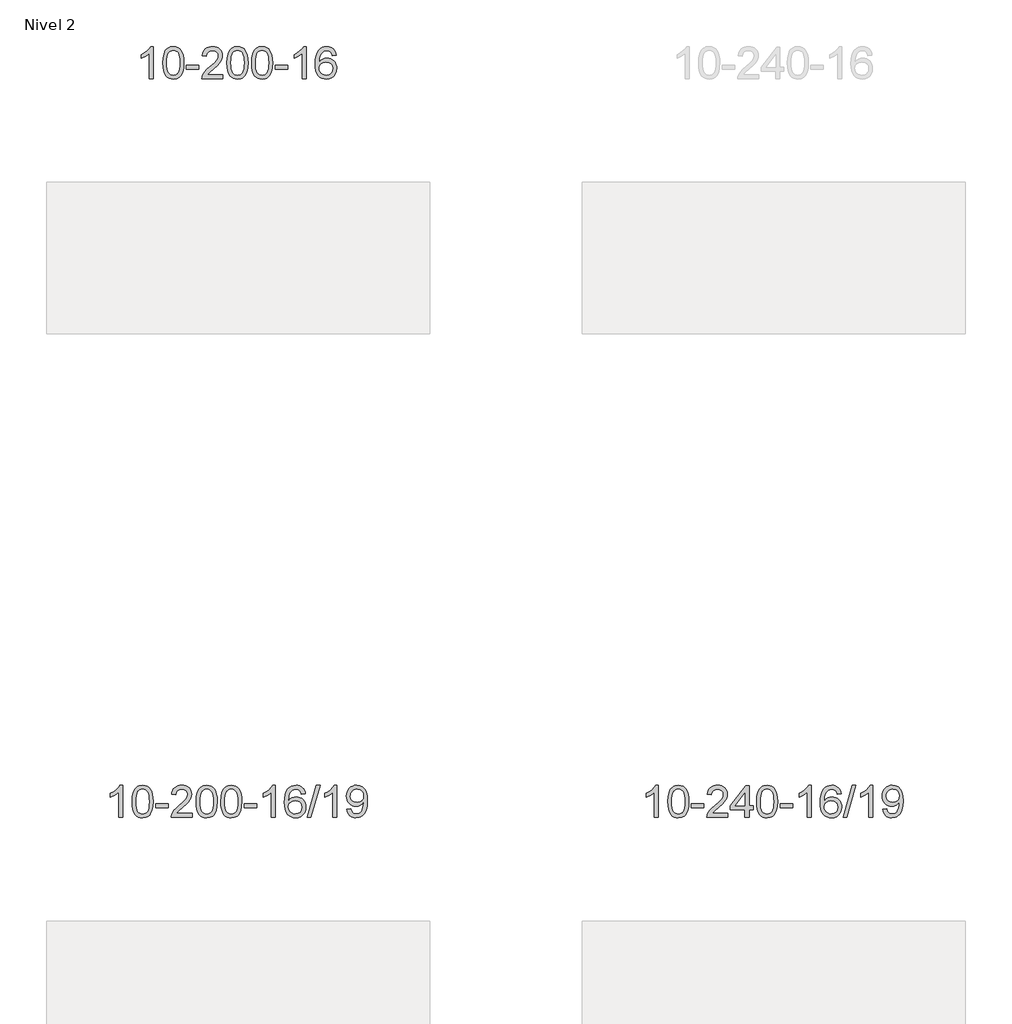
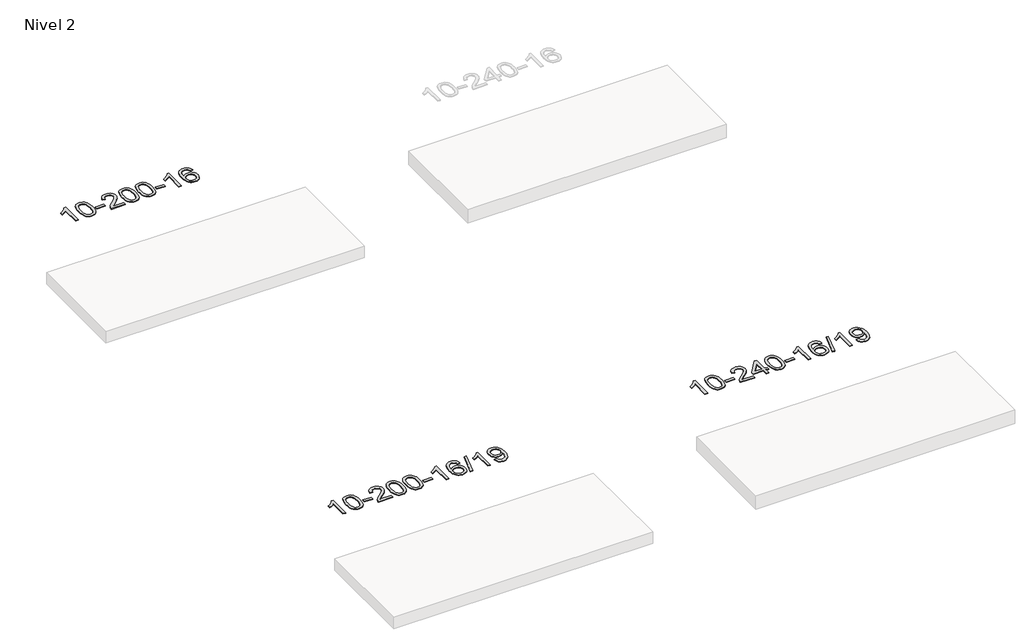
# One storey, part 21 of 51: 3 proxies.
"""IFC4 building model written with IfcOpenShell, lengths in millimetres."""

from ifc_helpers import new_model, si_unit, frame, origin, place, context, project, spatial, polyline, outline, extrude, element, save

model = new_model("IFC4")

# Units and contexts
model_context = context("Model", 3, world=origin())
ifc_project = project(units=[si_unit("LENGTHUNIT", "METRE", prefix="MILLI")], contexts=[model_context])

# Site, building, storey
site = spatial("IfcSite", under=ifc_project)
building = spatial("IfcBuilding", under=site)
storey = spatial("IfcBuildingStorey", under=building, Name="Nivel 2", Elevation=3000.0)

# Proxies
placement = place(None, origin())
element("IfcBuildingElementProxy", 1, Name="Texto de modelo 1", ObjectType="Texto de modelo 1", at=placement, inside=storey, context=model_context, shape_type="SweptSolid", body=[
    extrude(outline(polyline([(51675.3754887, -130180.5895642), (51625.1473336, -130180.5895642), (51625.1473336, -129867.4484099), (51604.1780599, -129884.4077699), (51577.5679289, -129901.3426044), (51524.6910235, -129926.7019366), (51524.6910235, -129879.2206338), (51564.1402361, -129857.7608507), (51598.3164734, -129832.2298403), (51625.2576982, -129805.080149), (51643.0018731, -129778.7643236), (51675.3754887, -129778.7643236), (51675.3754887, -130180.5895642)])), frame((0.0, 0.0, 3000.0), z_axis=(0.0, 0.0, 1.0), x_axis=(1.0, 0.0, 0.0)), (0.0, 0.0, 1.0), 10.0),
    extrude(outline(polyline([(51794.667357, -129982.9143055), (51798.3584397, -129918.59627), (51809.4316877, -129867.3012571), (51827.7767366, -129828.244452), (51839.6347995, -129813.0110717), (51853.2832216, -129800.6410396), (51868.7679879, -129791.0699764), (51886.1350837, -129784.2335026), (51926.5162641, -129778.7643236), (51957.4674026, -129782.0016852), (51985.1811796, -129791.7137699), (52008.3577453, -129807.5204329), (52025.69725, -129829.0415296), (52038.793849, -129856.093119), (52049.2416976, -129888.4912601), (52056.0843028, -129929.6327299), (52058.3651711, -129982.9143055), (52054.7108766, -130046.864459), (52043.7479932, -130098.0368445), (52025.513309, -130137.1304379), (52013.6828371, -130152.4098034), (52000.0436122, -130164.8442148), (51984.5404517, -130174.4796574), (51967.1181736, -130181.3621164), (51926.5162641, -130186.8680836), (51898.851538, -130184.4768507), (51874.3260717, -130177.3031517), (51852.939865, -130165.3469869), (51834.6929181, -130148.6083561), (51817.1817351, -130118.350062), (51804.6737473, -130080.6482889), (51797.1689546, -130035.5030367), (51794.667357, -129982.9143055)]), holes=[polyline([(51844.8955121, -129982.8162036), (51846.36704, -130026.4807308), (51850.781624, -130061.8249935), (51858.1392639, -130088.8489917), (51868.4399598, -130107.5527255), (51880.8988967, -130120.2783768), (51894.7312597, -130129.3681278), (51909.9370488, -130134.8219784), (51926.5162641, -130136.6399285), (51943.0954793, -130134.815847), (51958.3012684, -130129.3436023), (51972.1336315, -130120.2231945), (51984.5925684, -130107.4546236), (51994.8932642, -130088.720233), (52002.2509041, -130061.7023661), (52006.6654881, -130026.401023), (52008.1370161, -129982.8162036), (52006.714539, -129940.3074391), (52002.4471079, -129905.5855101), (51995.3347226, -129878.6504167), (51985.3773833, -129859.5021588), (51973.1269128, -129846.1541738), (51959.1351343, -129836.6198987), (51943.4020476, -129830.8993337), (51925.9276529, -129828.9924787), (51909.4342767, -129830.6724732), (51894.486005, -129835.7124565), (51881.0828377, -129844.1124287), (51869.2247747, -129855.8723898), (51858.5807223, -129876.7190362), (51850.9778277, -129904.8252207), (51846.416091, -129940.1909431), (51844.8955121, -129982.8162036)])]), frame((0.0, 0.0, 3000.0), z_axis=(0.0, 0.0, 1.0), x_axis=(1.0, 0.0, 0.0)), (0.0, 0.0, 1.0), 10.0),
    extrude(outline(polyline([(52089.7577681, -130061.2976959), (52089.7577681, -130011.0695409), (52246.7207527, -130011.0695409), (52246.7207527, -130061.2976959), (52089.7577681, -130061.2976959)])), frame((0.0, 0.0, 3000.0), z_axis=(0.0, 0.0, 1.0), x_axis=(1.0, 0.0, 0.0)), (0.0, 0.0, 1.0), 10.0),
    extrude(outline(polyline([(52548.0896831, -130130.3614092), (52548.0896831, -130180.5895642), (52284.391869, -130180.5895642), (52285.495515, -130162.906703), (52289.7874716, -130145.9596058), (52302.1728321, -130118.8957536), (52320.2971517, -130092.6412419), (52346.5148752, -130065.1604569), (52383.1804474, -130034.4177848), (52437.381728, -129986.2742944), (52469.9024964, -129950.7368937), (52486.1628806, -129921.8949452), (52491.5830086, -129893.8378117), (52486.4694489, -129868.686946), (52471.1287697, -129847.7789859), (52447.5475338, -129833.6891055), (52417.712304, -129828.9924787), (52386.3810208, -129833.5787409), (52362.0394954, -129847.3375275), (52346.3309342, -129869.1897181), (52340.8985434, -129898.0561919), (52290.6703884, -129891.7776726), (52294.9899361, -129865.8481233), (52302.8472824, -129843.1927237), (52314.2424272, -129823.8114739), (52329.1753705, -129807.7043739), (52347.3027558, -129795.0431019), (52368.2812266, -129785.9993362), (52392.1107828, -129780.5730768), (52418.7914245, -129778.7643236), (52445.7111895, -129780.7754119), (52469.6695045, -129786.8086766), (52490.6663693, -129796.8641178), (52508.7017842, -129810.9417355), (52523.1871377, -129827.9991973), (52533.5338188, -129846.994171), (52539.7418275, -129867.9266565), (52541.8111637, -129890.7966539), (52539.5793463, -129914.8193482), (52532.883894, -129938.4251095), (52521.0013055, -129962.4355411), (52503.2080797, -129987.672246), (52474.8443779, -130017.8017814), (52431.2503614, -130056.4907045), (52373.4683627, -130104.8058732), (52350.8068318, -130130.3614092), (52548.0896831, -130130.3614092)])), frame((0.0, 0.0, 3000.0), z_axis=(0.0, 0.0, 1.0), x_axis=(1.0, 0.0, 0.0)), (0.0, 0.0, 1.0), 10.0),
    extrude(outline(polyline([(52598.3178382, -129982.9143055), (52602.0089209, -129918.59627), (52613.0821689, -129867.3012571), (52631.4272177, -129828.244452), (52643.2852807, -129813.0110717), (52656.9337027, -129800.6410396), (52672.4184691, -129791.0699764), (52689.7855649, -129784.2335026), (52730.1667453, -129778.7643236), (52761.1178838, -129782.0016852), (52788.8316608, -129791.7137699), (52812.0082264, -129807.5204329), (52829.3477312, -129829.0415296), (52842.4443302, -129856.093119), (52852.8921788, -129888.4912601), (52859.734784, -129929.6327299), (52862.0156523, -129982.9143055), (52858.3613578, -130046.864459), (52847.3984744, -130098.0368445), (52829.1637902, -130137.1304379), (52817.3333183, -130152.4098034), (52803.6940934, -130164.8442148), (52788.1909329, -130174.4796574), (52770.7686548, -130181.3621164), (52730.1667453, -130186.8680836), (52702.5020192, -130184.4768507), (52677.9765529, -130177.3031517), (52656.5903462, -130165.3469869), (52638.3433993, -130148.6083561), (52620.8322163, -130118.350062), (52608.3242285, -130080.6482889), (52600.8194358, -130035.5030367), (52598.3178382, -129982.9143055)]), holes=[polyline([(52648.5459933, -129982.8162036), (52650.0175212, -130026.4807308), (52654.4321052, -130061.8249935), (52661.7897451, -130088.8489917), (52672.090441, -130107.5527255), (52684.5493779, -130120.2783768), (52698.3817409, -130129.3681278), (52713.58753, -130134.8219784), (52730.1667453, -130136.6399285), (52746.7459605, -130134.815847), (52761.9517496, -130129.3436023), (52775.7841127, -130120.2231945), (52788.2430496, -130107.4546236), (52798.5437454, -130088.720233), (52805.9013853, -130061.7023661), (52810.3159693, -130026.401023), (52811.7874973, -129982.8162036), (52810.3650202, -129940.3074391), (52806.0975891, -129905.5855101), (52798.9852038, -129878.6504167), (52789.0278645, -129859.5021588), (52776.777394, -129846.1541738), (52762.7856155, -129836.6198987), (52747.0525288, -129830.8993337), (52729.5781341, -129828.9924787), (52713.0847579, -129830.6724732), (52698.1364862, -129835.7124565), (52684.7333189, -129844.1124287), (52672.8752559, -129855.8723898), (52662.2312035, -129876.7190362), (52654.6283089, -129904.8252207), (52650.0665722, -129940.1909431), (52648.5459933, -129982.8162036)])]), frame((0.0, 0.0, 3000.0), z_axis=(0.0, 0.0, 1.0), x_axis=(1.0, 0.0, 0.0)), (0.0, 0.0, 1.0), 10.0),
    extrude(outline(polyline([(52905.965288, -129982.9143055), (52909.6563707, -129918.59627), (52920.7296188, -129867.3012571), (52939.0746676, -129828.244452), (52950.9327306, -129813.0110717), (52964.5811526, -129800.6410396), (52980.0659189, -129791.0699764), (52997.4330148, -129784.2335026), (53037.8141951, -129778.7643236), (53068.7653336, -129782.0016852), (53096.4791106, -129791.7137699), (53119.6556763, -129807.5204329), (53136.995181, -129829.0415296), (53150.09178, -129856.093119), (53160.5396287, -129888.4912601), (53167.3822338, -129929.6327299), (53169.6631022, -129982.9143055), (53166.0088077, -130046.864459), (53155.0459242, -130098.0368445), (53136.81124, -130137.1304379), (53124.9807682, -130152.4098034), (53111.3415432, -130164.8442148), (53095.8383828, -130174.4796574), (53078.4161046, -130181.3621164), (53037.8141951, -130186.8680836), (53010.1494691, -130184.4768507), (52985.6240027, -130177.3031517), (52964.2377961, -130165.3469869), (52945.9908491, -130148.6083561), (52928.4796661, -130118.350062), (52915.9716783, -130080.6482889), (52908.4668856, -130035.5030367), (52905.965288, -129982.9143055)]), holes=[polyline([(52956.1934431, -129982.8162036), (52957.6649711, -130026.4807308), (52962.079555, -130061.8249935), (52969.4371949, -130088.8489917), (52979.7378908, -130107.5527255), (52992.1968277, -130120.2783768), (53006.0291907, -130129.3681278), (53021.2349798, -130134.8219784), (53037.8141951, -130136.6399285), (53054.3934103, -130134.815847), (53069.5991995, -130129.3436023), (53083.4315625, -130120.2231945), (53095.8904994, -130107.4546236), (53106.1911953, -130088.720233), (53113.5488352, -130061.7023661), (53117.9634191, -130026.401023), (53119.4349471, -129982.8162036), (53118.01247, -129940.3074391), (53113.7450389, -129905.5855101), (53106.6326537, -129878.6504167), (53096.6753143, -129859.5021588), (53084.4248439, -129846.1541738), (53070.4330653, -129836.6198987), (53054.6999787, -129830.8993337), (53037.2255839, -129828.9924787), (53020.7322078, -129830.6724732), (53005.783936, -129835.7124565), (52992.3807687, -129844.1124287), (52980.5227057, -129855.8723898), (52969.8786533, -129876.7190362), (52962.2757587, -129904.8252207), (52957.714022, -129940.1909431), (52956.1934431, -129982.8162036)])]), frame((0.0, 0.0, 3000.0), z_axis=(0.0, 0.0, 1.0), x_axis=(1.0, 0.0, 0.0)), (0.0, 0.0, 1.0), 10.0),
    extrude(outline(polyline([(53201.0556991, -130061.2976959), (53201.0556991, -130011.0695409), (53358.0186837, -130011.0695409), (53358.0186837, -130061.2976959), (53201.0556991, -130061.2976959)])), frame((0.0, 0.0, 3000.0), z_axis=(0.0, 0.0, 1.0), x_axis=(1.0, 0.0, 0.0)), (0.0, 0.0, 1.0), 10.0),
    extrude(outline(polyline([(53590.3239009, -130180.5895642), (53540.0957458, -130180.5895642), (53540.0957458, -129867.4484099), (53519.1264721, -129884.4077699), (53492.5163411, -129901.3426044), (53439.6394357, -129926.7019366), (53439.6394357, -129879.2206338), (53479.0886483, -129857.7608507), (53513.2648857, -129832.2298403), (53540.2061104, -129805.080149), (53557.9502853, -129778.7643236), (53590.3239009, -129778.7643236), (53590.3239009, -130180.5895642)])), frame((0.0, 0.0, 3000.0), z_axis=(0.0, 0.0, 1.0), x_axis=(1.0, 0.0, 0.0)), (0.0, 0.0, 1.0), 10.0),
    extrude(outline(polyline([(53967.035064, -129885.4991532), (53916.8069089, -129891.7776726), (53908.713505, -129866.8843242), (53897.775147, -129849.888176), (53874.9909888, -129834.216403), (53847.4488901, -129828.9924787), (53824.1006461, -129832.0336365), (53802.1258283, -129841.15711), (53783.2534819, -129860.3728129), (53767.8392263, -129886.8235284), (53757.4281659, -129924.2371273), (53753.5654049, -129976.3414805), (53773.7130755, -129952.833821), (53797.8583971, -129936.2668685), (53824.6524691, -129926.4444192), (53852.7463908, -129923.1702695), (53876.8794497, -129925.4082183), (53899.1485731, -129932.1220647), (53919.5537611, -129943.3118087), (53938.0950137, -129958.9774503), (53953.5031379, -129978.1870219), (53964.5089409, -130000.0085555), (53971.1124228, -130024.4420514), (53973.3135834, -130051.4875094), (53969.1687795, -130087.4541058), (53956.7343681, -130120.7964773), (53937.0404186, -130149.07434), (53911.1170007, -130169.84741), (53880.1413367, -130182.6129152), (53845.290649, -130186.8680836), (53815.3481203, -130184.047655), (53788.305728, -130175.5863691), (53764.163472, -130161.484226), (53742.9213525, -130141.7412255), (53725.6033076, -130115.523502), (53713.2332755, -130081.9971895), (53705.8112562, -130041.1622881), (53703.3372498, -129993.0187976), (53706.0841021, -129939.0443776), (53714.3246588, -129892.9794204), (53728.0589199, -129854.8239261), (53747.2868855, -129824.5778948), (53768.1274005, -129804.5344574), (53792.2911163, -129790.2177164), (53819.7780327, -129781.6276718), (53850.5881498, -129778.7643236), (53873.7217959, -129780.5362886), (53894.6604128, -129785.8521834), (53913.4040004, -129794.7120081), (53929.9525589, -129807.1157627), (53943.8584983, -129822.6465143), (53954.6742289, -129840.8873299), (53962.3997508, -129861.8382095), (53967.035064, -129885.4991532)]), holes=[polyline([(53753.5654049, -130050.7026945), (53756.4716727, -130072.9595552), (53765.190476, -130094.2108718), (53778.7285334, -130112.4823442), (53796.0925635, -130125.7996724), (53817.0495745, -130133.9298645), (53841.3665744, -130136.6399285), (53874.5127422, -130131.0235968), (53888.4278787, -130124.003182), (53900.5710502, -130114.1746014), (53910.4210906, -130101.9363937), (53917.4568338, -130087.6870977), (53923.0854283, -130053.1552411), (53917.5304102, -130020.0090733), (53910.5866375, -130006.3882425), (53900.8653558, -129994.7355803), (53888.685396, -129985.4005746), (53874.3655894, -129978.7327135), (53839.3064352, -129973.3984246), (53806.2093184, -129978.7327135), (53778.5323296, -129994.7355803), (53767.6093001, -130006.2349583), (53759.8071361, -130019.3959367), (53755.1258377, -130034.2185154), (53753.5654049, -130050.7026945)])]), frame((0.0, 0.0, 3000.0), z_axis=(0.0, 0.0, 1.0), x_axis=(1.0, 0.0, 0.0)), (0.0, 0.0, 1.0), 10.0),
])
element("IfcBuildingElementProxy", 2, Name="Texto de modelo 1", ObjectType="Texto de modelo 1", at=placement, inside=storey, context=model_context, shape_type="SweptSolid", body=[
    extrude(outline(polyline([(51289.2465465, -139438.9702671), (51239.0183915, -139438.9702671), (51239.0183915, -139125.8291128), (51218.0491177, -139142.7884728), (51191.4389868, -139159.7233073), (51138.5620813, -139185.0826395), (51138.5620813, -139137.6013367), (51178.0112939, -139116.1415536), (51212.1875313, -139090.6105432), (51239.1287561, -139063.4608519), (51256.872931, -139037.1450265), (51289.2465465, -139037.1450265), (51289.2465465, -139438.9702671)])), frame((0.0, 0.0, 3000.0), z_axis=(0.0, 0.0, 1.0), x_axis=(1.0, 0.0, 0.0)), (0.0, 0.0, 1.0), 10.0),
    extrude(outline(polyline([(51408.5384148, -139241.2950084), (51412.2294975, -139176.9769729), (51423.3027456, -139125.68196), (51441.6477944, -139086.6251549), (51453.5058574, -139071.3917746), (51467.1542794, -139059.0217425), (51482.6390457, -139049.4506793), (51500.0061416, -139042.6142055), (51540.3873219, -139037.1450265), (51571.3384604, -139040.3823881), (51599.0522374, -139050.0944728), (51622.2288031, -139065.9011358), (51639.5683078, -139087.4222325), (51652.6649068, -139114.4738219), (51663.1127555, -139146.871963), (51669.9553606, -139188.0134328), (51672.236229, -139241.2950084), (51668.5819345, -139305.2451619), (51657.6190511, -139356.4175474), (51639.3843668, -139395.5111408), (51627.553895, -139410.7905063), (51613.91467, -139423.2249177), (51598.4115096, -139432.8603603), (51580.9892315, -139439.7428193), (51540.3873219, -139445.2487865), (51512.7225959, -139442.8575536), (51488.1971295, -139435.6838546), (51466.8109229, -139423.7276898), (51448.5639759, -139406.989059), (51431.052793, -139376.7307649), (51418.5448051, -139339.0289918), (51411.0400124, -139293.8837396), (51408.5384148, -139241.2950084)]), holes=[polyline([(51458.7665699, -139241.1969065), (51460.2380979, -139284.8614337), (51464.6526818, -139320.2056964), (51472.0103218, -139347.2296946), (51482.3110176, -139365.9334284), (51494.7699545, -139378.6590797), (51508.6023175, -139387.7488307), (51523.8081067, -139393.2026813), (51540.3873219, -139395.0206314), (51556.9665372, -139393.1965499), (51572.1723263, -139387.7243052), (51586.0046893, -139378.6038974), (51598.4636262, -139365.8353265), (51608.7643221, -139347.1009359), (51616.121962, -139320.083069), (51620.5365459, -139284.7817259), (51622.0080739, -139241.1969065), (51620.5855969, -139198.688142), (51616.3181657, -139163.966213), (51609.2057805, -139137.0311196), (51599.2484411, -139117.8828617), (51586.9979707, -139104.5348767), (51573.0061922, -139095.0006016), (51557.2731055, -139089.2800366), (51539.7987107, -139087.3731816), (51523.3053346, -139089.0531761), (51508.3570629, -139094.0931594), (51494.9538955, -139102.4931316), (51483.0958325, -139114.2530927), (51472.4517801, -139135.0997391), (51464.8488856, -139163.2059236), (51460.2871488, -139198.571646), (51458.7665699, -139241.1969065)])]), frame((0.0, 0.0, 3000.0), z_axis=(0.0, 0.0, 1.0), x_axis=(1.0, 0.0, 0.0)), (0.0, 0.0, 1.0), 10.0),
    extrude(outline(polyline([(51703.6288259, -139319.6783988), (51703.6288259, -139269.4502438), (51860.5918105, -139269.4502438), (51860.5918105, -139319.6783988), (51703.6288259, -139319.6783988)])), frame((0.0, 0.0, 3000.0), z_axis=(0.0, 0.0, 1.0), x_axis=(1.0, 0.0, 0.0)), (0.0, 0.0, 1.0), 10.0),
    extrude(outline(polyline([(52161.960741, -139388.7421121), (52161.960741, -139438.9702671), (51898.2629268, -139438.9702671), (51899.3665728, -139421.2874059), (51903.6585294, -139404.3403087), (51916.0438899, -139377.2764565), (51934.1682096, -139351.0219448), (51960.3859331, -139323.5411598), (51997.0515053, -139292.7984877), (52051.2527859, -139244.6549973), (52083.7735543, -139209.1175966), (52100.0339385, -139180.2756481), (52105.4540665, -139152.2185146), (52100.3405068, -139127.0676489), (52084.9998276, -139106.1596888), (52061.4185917, -139092.0698084), (52031.5833619, -139087.3731816), (52000.2520786, -139091.9594438), (51975.9105533, -139105.7182304), (51960.2019921, -139127.570421), (51954.7696013, -139156.4368948), (51904.5414462, -139150.1583755), (51908.860994, -139124.2288262), (51916.7183403, -139101.5734266), (51928.1134851, -139082.1921768), (51943.0464284, -139066.0850768), (51961.1738137, -139053.4238048), (51982.1522845, -139044.3800391), (52005.9818407, -139038.9537797), (52032.6624824, -139037.1450265), (52059.5822474, -139039.1561148), (52083.5405623, -139045.1893795), (52104.5374272, -139055.2448207), (52122.572842, -139069.3224384), (52137.0581956, -139086.3799002), (52147.4048767, -139105.3748739), (52153.6128854, -139126.3073594), (52155.6822216, -139149.1773568), (52153.4504041, -139173.2000511), (52146.7549518, -139196.8058124), (52134.8723634, -139220.816244), (52117.0791376, -139246.0529489), (52088.7154357, -139276.1824843), (52045.1214193, -139314.8714074), (51987.3394206, -139363.1865761), (51964.6778897, -139388.7421121), (52161.960741, -139388.7421121)])), frame((0.0, 0.0, 3000.0), z_axis=(0.0, 0.0, 1.0), x_axis=(1.0, 0.0, 0.0)), (0.0, 0.0, 1.0), 10.0),
    extrude(outline(polyline([(52212.188896, -139241.2950084), (52215.8799787, -139176.9769729), (52226.9532268, -139125.68196), (52245.2982756, -139086.6251549), (52257.1563386, -139071.3917746), (52270.8047606, -139059.0217425), (52286.2895269, -139049.4506793), (52303.6566228, -139042.6142055), (52344.0378031, -139037.1450265), (52374.9889416, -139040.3823881), (52402.7027186, -139050.0944728), (52425.8792843, -139065.9011358), (52443.218789, -139087.4222325), (52456.315388, -139114.4738219), (52466.7632367, -139146.871963), (52473.6058418, -139188.0134328), (52475.8867102, -139241.2950084), (52472.2324157, -139305.2451619), (52461.2695322, -139356.4175474), (52443.034848, -139395.5111408), (52431.2043762, -139410.7905063), (52417.5651512, -139423.2249177), (52402.0619908, -139432.8603603), (52384.6397127, -139439.7428193), (52344.0378031, -139445.2487865), (52316.3730771, -139442.8575536), (52291.8476107, -139435.6838546), (52270.4614041, -139423.7276898), (52252.2144571, -139406.989059), (52234.7032742, -139376.7307649), (52222.1952863, -139339.0289918), (52214.6904936, -139293.8837396), (52212.188896, -139241.2950084)]), holes=[polyline([(52262.4170511, -139241.1969065), (52263.8885791, -139284.8614337), (52268.303163, -139320.2056964), (52275.6608029, -139347.2296946), (52285.9614988, -139365.9334284), (52298.4204357, -139378.6590797), (52312.2527987, -139387.7488307), (52327.4585879, -139393.2026813), (52344.0378031, -139395.0206314), (52360.6170184, -139393.1965499), (52375.8228075, -139387.7243052), (52389.6551705, -139378.6038974), (52402.1141074, -139365.8353265), (52412.4148033, -139347.1009359), (52419.7724432, -139320.083069), (52424.1870271, -139284.7817259), (52425.6585551, -139241.1969065), (52424.2360781, -139198.688142), (52419.9686469, -139163.966213), (52412.8562617, -139137.0311196), (52402.8989223, -139117.8828617), (52390.6484519, -139104.5348767), (52376.6566734, -139095.0006016), (52360.9235867, -139089.2800366), (52343.4491919, -139087.3731816), (52326.9558158, -139089.0531761), (52312.0075441, -139094.0931594), (52298.6043767, -139102.4931316), (52286.7463137, -139114.2530927), (52276.1022613, -139135.0997391), (52268.4993668, -139163.2059236), (52263.93763, -139198.571646), (52262.4170511, -139241.1969065)])]), frame((0.0, 0.0, 3000.0), z_axis=(0.0, 0.0, 1.0), x_axis=(1.0, 0.0, 0.0)), (0.0, 0.0, 1.0), 10.0),
    extrude(outline(polyline([(52519.8363459, -139241.2950084), (52523.5274286, -139176.9769729), (52534.6006766, -139125.68196), (52552.9457254, -139086.6251549), (52564.8037884, -139071.3917746), (52578.4522104, -139059.0217425), (52593.9369768, -139049.4506793), (52611.3040726, -139042.6142055), (52651.685253, -139037.1450265), (52682.6363915, -139040.3823881), (52710.3501684, -139050.0944728), (52733.5267341, -139065.9011358), (52750.8662389, -139087.4222325), (52763.9628379, -139114.4738219), (52774.4106865, -139146.871963), (52781.2532917, -139188.0134328), (52783.53416, -139241.2950084), (52779.8798655, -139305.2451619), (52768.9169821, -139356.4175474), (52750.6822979, -139395.5111408), (52738.851826, -139410.7905063), (52725.2126011, -139423.2249177), (52709.7094406, -139432.8603603), (52692.2871625, -139439.7428193), (52651.685253, -139445.2487865), (52624.0205269, -139442.8575536), (52599.4950606, -139435.6838546), (52578.1088539, -139423.7276898), (52559.861907, -139406.989059), (52542.350724, -139376.7307649), (52529.8427361, -139339.0289918), (52522.3379434, -139293.8837396), (52519.8363459, -139241.2950084)]), holes=[polyline([(52570.064501, -139241.1969065), (52571.5360289, -139284.8614337), (52575.9506129, -139320.2056964), (52583.3082528, -139347.2296946), (52593.6089486, -139365.9334284), (52606.0678855, -139378.6590797), (52619.9002486, -139387.7488307), (52635.1060377, -139393.2026813), (52651.685253, -139395.0206314), (52668.2644682, -139393.1965499), (52683.4702573, -139387.7243052), (52697.3026204, -139378.6038974), (52709.7615573, -139365.8353265), (52720.0622531, -139347.1009359), (52727.419893, -139320.083069), (52731.834477, -139284.7817259), (52733.3060049, -139241.1969065), (52731.8835279, -139198.688142), (52727.6160968, -139163.966213), (52720.5037115, -139137.0311196), (52710.5463722, -139117.8828617), (52698.2959017, -139104.5348767), (52684.3041232, -139095.0006016), (52668.5710365, -139089.2800366), (52651.0966418, -139087.3731816), (52634.6032656, -139089.0531761), (52619.6549939, -139094.0931594), (52606.2518265, -139102.4931316), (52594.3937636, -139114.2530927), (52583.7497112, -139135.0997391), (52576.1468166, -139163.2059236), (52571.5850799, -139198.571646), (52570.064501, -139241.1969065)])]), frame((0.0, 0.0, 3000.0), z_axis=(0.0, 0.0, 1.0), x_axis=(1.0, 0.0, 0.0)), (0.0, 0.0, 1.0), 10.0),
    extrude(outline(polyline([(52814.9267569, -139319.6783988), (52814.9267569, -139269.4502438), (52971.8897416, -139269.4502438), (52971.8897416, -139319.6783988), (52814.9267569, -139319.6783988)])), frame((0.0, 0.0, 3000.0), z_axis=(0.0, 0.0, 1.0), x_axis=(1.0, 0.0, 0.0)), (0.0, 0.0, 1.0), 10.0),
    extrude(outline(polyline([(53204.1949588, -139438.9702671), (53153.9668037, -139438.9702671), (53153.9668037, -139125.8291128), (53132.99753, -139142.7884728), (53106.387399, -139159.7233073), (53053.5104935, -139185.0826395), (53053.5104935, -139137.6013367), (53092.9597062, -139116.1415536), (53127.1359435, -139090.6105432), (53154.0771683, -139063.4608519), (53171.8213432, -139037.1450265), (53204.1949588, -139037.1450265), (53204.1949588, -139438.9702671)])), frame((0.0, 0.0, 3000.0), z_axis=(0.0, 0.0, 1.0), x_axis=(1.0, 0.0, 0.0)), (0.0, 0.0, 1.0), 10.0),
    extrude(outline(polyline([(53580.9061218, -139143.8798561), (53530.6779668, -139150.1583755), (53522.5845629, -139125.2650271), (53511.6462049, -139108.2688789), (53488.8620466, -139092.5971059), (53461.3199479, -139087.3731816), (53437.971704, -139090.4143394), (53415.9968861, -139099.5378129), (53397.1245398, -139118.7535158), (53381.7102842, -139145.2042313), (53371.2992237, -139182.6178302), (53367.4364628, -139234.7221834), (53387.5841334, -139211.2145239), (53411.729455, -139194.6475714), (53438.523527, -139184.8251221), (53466.6174487, -139181.5509724), (53490.7505076, -139183.7889212), (53513.019631, -139190.5027676), (53533.424819, -139201.6925116), (53551.9660715, -139217.3581532), (53567.3741958, -139236.5677248), (53578.3799988, -139258.3892584), (53584.9834806, -139282.8227543), (53587.1846412, -139309.8682123), (53583.0398374, -139345.8348087), (53570.605426, -139379.1771802), (53550.9114765, -139407.4550429), (53524.9880586, -139428.2281129), (53494.0123946, -139440.9936181), (53459.1617069, -139445.2487865), (53429.2191782, -139442.4283579), (53402.1767858, -139433.967072), (53378.0345299, -139419.8649289), (53356.7924104, -139400.1219284), (53339.4743655, -139373.9042049), (53327.1043334, -139340.3778924), (53319.6823141, -139299.542991), (53317.2083077, -139251.3995005), (53319.9551599, -139197.4250805), (53328.1957166, -139151.3601233), (53341.9299778, -139113.204629), (53361.1579434, -139082.9585977), (53381.9984584, -139062.9151603), (53406.1621741, -139048.5984193), (53433.6490905, -139040.0083747), (53464.4592076, -139037.1450265), (53487.5928538, -139038.9169915), (53508.5314707, -139044.2328863), (53527.2750583, -139053.092711), (53543.8236167, -139065.4964656), (53557.7295561, -139081.0272172), (53568.5452868, -139099.2680328), (53576.2708087, -139120.2189124), (53580.9061218, -139143.8798561)]), holes=[polyline([(53367.4364628, -139309.0833974), (53370.3427305, -139331.3402581), (53379.0615338, -139352.5915747), (53392.5995912, -139370.8630471), (53409.9636214, -139384.1803753), (53430.9206324, -139392.3105674), (53455.2376323, -139395.0206314), (53488.3838, -139389.4042997), (53502.2989365, -139382.3838849), (53514.442108, -139372.5553043), (53524.2921485, -139360.3170966), (53531.3278916, -139346.0678006), (53536.9564861, -139311.535944), (53531.401468, -139278.3897762), (53524.4576954, -139264.7689454), (53514.7364136, -139253.1162832), (53502.5564539, -139243.7812775), (53488.2366472, -139237.1134164), (53453.1774931, -139231.7791275), (53420.0803763, -139237.1134164), (53392.4033875, -139253.1162832), (53381.4803579, -139264.6156612), (53373.678194, -139277.7766396), (53368.9968956, -139292.5992183), (53367.4364628, -139309.0833974)])]), frame((0.0, 0.0, 3000.0), z_axis=(0.0, 0.0, 1.0), x_axis=(1.0, 0.0, 0.0)), (0.0, 0.0, 1.0), 10.0),
    extrude(outline(polyline([(53606.0201994, -139438.9702671), (53719.0335483, -139037.1450265), (53764.3566101, -139037.1450265), (53651.3432612, -139438.9702671), (53606.0201994, -139438.9702671)])), frame((0.0, 0.0, 3000.0), z_axis=(0.0, 0.0, 1.0), x_axis=(1.0, 0.0, 0.0)), (0.0, 0.0, 1.0), 10.0),
    extrude(outline(polyline([(53976.452843, -139438.9702671), (53926.224688, -139438.9702671), (53926.224688, -139125.8291128), (53905.2554142, -139142.7884728), (53878.6452833, -139159.7233073), (53825.7683778, -139185.0826395), (53825.7683778, -139137.6013367), (53865.2175904, -139116.1415536), (53899.3938278, -139090.6105432), (53926.3350526, -139063.4608519), (53944.0792275, -139037.1450265), (53976.452843, -139037.1450265), (53976.452843, -139438.9702671)])), frame((0.0, 0.0, 3000.0), z_axis=(0.0, 0.0, 1.0), x_axis=(1.0, 0.0, 0.0)), (0.0, 0.0, 1.0), 10.0),
    extrude(outline(polyline([(54102.0232307, -139338.513957), (54152.2513858, -139332.2354376), (54160.835299, -139360.7462922), (54174.8148148, -139380.1581988), (54193.8465767, -139391.3050233), (54217.5872282, -139395.0206314), (54238.8875957, -139392.6293985), (54258.2504514, -139385.4556996), (54274.3391573, -139374.2843497), (54285.8170755, -139359.9001636), (54302.249138, -139316.2448335), (54307.6937915, -139287.8443435), (54309.508676, -139257.9723255), (54309.2143704, -139248.162139), (54291.813552, -139269.4011928), (54269.0416565, -139286.2256627), (54242.5418902, -139297.1885462), (54213.9574591, -139300.8428407), (54190.0972461, -139298.6110232), (54168.1561507, -139291.9155709), (54148.1341731, -139280.7564837), (54130.0313133, -139265.1337617), (54115.0309249, -139245.8628765), (54104.3163618, -139223.7593), (54097.887624, -139198.8230321), (54095.7447114, -139171.0540728), (54097.9918572, -139142.3592772), (54104.7332948, -139116.6075375), (54115.969024, -139093.7988538), (54131.699045, -139073.9332261), (54150.8135803, -139057.8383888), (54172.2028527, -139046.3420764), (54195.866862, -139039.444289), (54221.8056084, -139037.1450265), (54259.2682582, -139042.3934763), (54293.3709192, -139058.1388257), (54321.8940365, -139083.5962598), (54342.6180556, -139117.9809636), (54355.236408, -139165.5113174), (54359.4425255, -139230.4057013), (54355.2486707, -139299.2118972), (54342.6671065, -139352.3953709), (54321.8081974, -139392.3596183), (54308.3161252, -139408.2858431), (54292.782308, -139421.5081351), (54275.5194453, -139431.8946701), (54256.840237, -139439.3136237), (54215.2327834, -139445.2487865), (54192.6754857, -139443.4982814), (54172.2886918, -139438.2467659), (54154.0724017, -139429.4942401), (54138.0266153, -139417.240704), (54124.5560029, -139401.8172513), (54114.0652347, -139383.5549759), (54106.5543106, -139362.4538778), (54102.0232307, -139338.513957)]), holes=[polyline([(54309.2143704, -139169.8768504), (54303.7942424, -139135.8355031), (54297.0190823, -139121.7578854), (54287.5338582, -139109.6423051), (54275.8045539, -139099.8995636), (54262.2971533, -139092.9404625), (54229.9480632, -139087.3731816), (54212.3387784, -139088.8723007), (54196.3972252, -139093.3696581), (54182.1234038, -139100.8652538), (54169.5173141, -139111.3590877), (54159.2166183, -139124.2380232), (54151.8589783, -139138.8889237), (54147.4443944, -139155.3117891), (54145.9728664, -139173.5066194), (54151.5401473, -139204.5435971), (54158.4992484, -139217.6616559), (54168.2419899, -139229.179428), (54180.3637016, -139238.5573532), (54194.4597134, -139245.2558712), (54228.5746371, -139250.6146856), (54260.6662098, -139245.2558712), (54286.5037886, -139229.179428), (54296.4396681, -139217.4347953), (54303.536725, -139203.6361548), (54309.2143704, -139169.8768504)])]), frame((0.0, 0.0, 3000.0), z_axis=(0.0, 0.0, 1.0), x_axis=(1.0, 0.0, 0.0)), (0.0, 0.0, 1.0), 10.0),
])
element("IfcBuildingElementProxy", 3, Name="Texto de modelo 1", ObjectType="Texto de modelo 1", at=placement, inside=storey, context=model_context, shape_type="SweptSolid", body=[
    extrude(outline(polyline([(58004.1870814, -139438.9702671), (57953.9589263, -139438.9702671), (57953.9589263, -139125.8291128), (57932.9896526, -139142.7884728), (57906.3795216, -139159.7233073), (57853.5026161, -139185.0826395), (57853.5026161, -139137.6013367), (57892.9518288, -139116.1415536), (57927.1280661, -139090.6105432), (57954.0692909, -139063.4608519), (57971.8134658, -139037.1450265), (58004.1870814, -139037.1450265), (58004.1870814, -139438.9702671)])), frame((0.0, 0.0, 3000.0), z_axis=(0.0, 0.0, 1.0), x_axis=(1.0, 0.0, 0.0)), (0.0, 0.0, 1.0), 10.0),
    extrude(outline(polyline([(58123.4789497, -139241.2950084), (58127.1700324, -139176.9769729), (58138.2432804, -139125.68196), (58156.5883292, -139086.6251549), (58168.4463922, -139071.3917746), (58182.0948142, -139059.0217425), (58197.5795806, -139049.4506793), (58214.9466764, -139042.6142055), (58255.3278567, -139037.1450265), (58286.2789953, -139040.3823881), (58313.9927722, -139050.0944728), (58337.1693379, -139065.9011358), (58354.5088426, -139087.4222325), (58367.6054417, -139114.4738219), (58378.0532903, -139146.871963), (58384.8958954, -139188.0134328), (58387.1767638, -139241.2950084), (58383.5224693, -139305.2451619), (58372.5595859, -139356.4175474), (58354.3249016, -139395.5111408), (58342.4944298, -139410.7905063), (58328.8552048, -139423.2249177), (58313.3520444, -139432.8603603), (58295.9297663, -139439.7428193), (58255.3278567, -139445.2487865), (58227.6631307, -139442.8575536), (58203.1376644, -139435.6838546), (58181.7514577, -139423.7276898), (58163.5045107, -139406.989059), (58145.9933278, -139376.7307649), (58133.4853399, -139339.0289918), (58125.9805472, -139293.8837396), (58123.4789497, -139241.2950084)]), holes=[polyline([(58173.7071047, -139241.1969065), (58175.1786327, -139284.8614337), (58179.5932167, -139320.2056964), (58186.9508566, -139347.2296946), (58197.2515524, -139365.9334284), (58209.7104893, -139378.6590797), (58223.5428524, -139387.7488307), (58238.7486415, -139393.2026813), (58255.3278567, -139395.0206314), (58271.907072, -139393.1965499), (58287.1128611, -139387.7243052), (58300.9452241, -139378.6038974), (58313.4041611, -139365.8353265), (58323.7048569, -139347.1009359), (58331.0624968, -139320.083069), (58335.4770808, -139284.7817259), (58336.9486087, -139241.1969065), (58335.5261317, -139198.688142), (58331.2587005, -139163.966213), (58324.1463153, -139137.0311196), (58314.188976, -139117.8828617), (58301.9385055, -139104.5348767), (58287.946727, -139095.0006016), (58272.2136403, -139089.2800366), (58254.7392456, -139087.3731816), (58238.2458694, -139089.0531761), (58223.2975977, -139094.0931594), (58209.8944303, -139102.4931316), (58198.0363674, -139114.2530927), (58187.392315, -139135.0997391), (58179.7894204, -139163.2059236), (58175.2276837, -139198.571646), (58173.7071047, -139241.1969065)])]), frame((0.0, 0.0, 3000.0), z_axis=(0.0, 0.0, 1.0), x_axis=(1.0, 0.0, 0.0)), (0.0, 0.0, 1.0), 10.0),
    extrude(outline(polyline([(58418.5693607, -139319.6783988), (58418.5693607, -139269.4502438), (58575.5323453, -139269.4502438), (58575.5323453, -139319.6783988), (58418.5693607, -139319.6783988)])), frame((0.0, 0.0, 3000.0), z_axis=(0.0, 0.0, 1.0), x_axis=(1.0, 0.0, 0.0)), (0.0, 0.0, 1.0), 10.0),
    extrude(outline(polyline([(58876.9012758, -139388.7421121), (58876.9012758, -139438.9702671), (58613.2034617, -139438.9702671), (58614.3071076, -139421.2874059), (58618.5990642, -139404.3403087), (58630.9844248, -139377.2764565), (58649.1087444, -139351.0219448), (58675.3264679, -139323.5411598), (58711.9920401, -139292.7984877), (58766.1933207, -139244.6549973), (58798.7140891, -139209.1175966), (58814.9744733, -139180.2756481), (58820.3946013, -139152.2185146), (58815.2810416, -139127.0676489), (58799.9403624, -139106.1596888), (58776.3591265, -139092.0698084), (58746.5238967, -139087.3731816), (58715.1926134, -139091.9594438), (58690.8510881, -139105.7182304), (58675.1425269, -139127.570421), (58669.7101361, -139156.4368948), (58619.481981, -139150.1583755), (58623.8015288, -139124.2288262), (58631.6588751, -139101.5734266), (58643.0540199, -139082.1921768), (58657.9869632, -139066.0850768), (58676.1143485, -139053.4238048), (58697.0928193, -139044.3800391), (58720.9223755, -139038.9537797), (58747.6030172, -139037.1450265), (58774.5227822, -139039.1561148), (58798.4810972, -139045.1893795), (58819.477962, -139055.2448207), (58837.5133768, -139069.3224384), (58851.9987304, -139086.3799002), (58862.3454115, -139105.3748739), (58868.5534202, -139126.3073594), (58870.6227564, -139149.1773568), (58868.390939, -139173.2000511), (58861.6954867, -139196.8058124), (58849.8128982, -139220.816244), (58832.0196724, -139246.0529489), (58803.6559706, -139276.1824843), (58760.0619541, -139314.8714074), (58702.2799554, -139363.1865761), (58679.6184245, -139388.7421121), (58876.9012758, -139388.7421121)])), frame((0.0, 0.0, 3000.0), z_axis=(0.0, 0.0, 1.0), x_axis=(1.0, 0.0, 0.0)), (0.0, 0.0, 1.0), 10.0),
    extrude(outline(polyline([(59090.3709349, -139438.9702671), (59090.3709349, -139344.7924764), (58908.2938727, -139344.7924764), (58908.2938727, -139294.5643213), (59102.9279736, -139043.4235459), (59140.5990899, -139043.4235459), (59140.5990899, -139294.5643213), (59190.827245, -139294.5643213), (59190.827245, -139344.7924764), (59140.5990899, -139344.7924764), (59140.5990899, -139438.9702671), (59090.3709349, -139438.9702671)]), holes=[polyline([(59090.3709349, -139294.5643213), (59090.3709349, -139139.3671703), (58970.0980479, -139294.5643213), (59090.3709349, -139294.5643213)])]), frame((0.0, 0.0, 3000.0), z_axis=(0.0, 0.0, 1.0), x_axis=(1.0, 0.0, 0.0)), (0.0, 0.0, 1.0), 10.0),
    extrude(outline(polyline([(59234.7768807, -139241.2950084), (59238.4679634, -139176.9769729), (59249.5412114, -139125.68196), (59267.8862603, -139086.6251549), (59279.7443232, -139071.3917746), (59293.3927453, -139059.0217425), (59308.8775116, -139049.4506793), (59326.2446074, -139042.6142055), (59366.6257878, -139037.1450265), (59397.5769263, -139040.3823881), (59425.2907033, -139050.0944728), (59448.467269, -139065.9011358), (59465.8067737, -139087.4222325), (59478.9033727, -139114.4738219), (59489.3512214, -139146.871963), (59496.1938265, -139188.0134328), (59498.4746948, -139241.2950084), (59494.8204004, -139305.2451619), (59483.8575169, -139356.4175474), (59465.6228327, -139395.5111408), (59453.7923608, -139410.7905063), (59440.1531359, -139423.2249177), (59424.6499755, -139432.8603603), (59407.2276973, -139439.7428193), (59366.6257878, -139445.2487865), (59338.9610617, -139442.8575536), (59314.4355954, -139435.6838546), (59293.0493887, -139423.7276898), (59274.8024418, -139406.989059), (59257.2912588, -139376.7307649), (59244.783271, -139339.0289918), (59237.2784783, -139293.8837396), (59234.7768807, -139241.2950084)]), holes=[polyline([(59285.0050358, -139241.1969065), (59286.4765638, -139284.8614337), (59290.8911477, -139320.2056964), (59298.2487876, -139347.2296946), (59308.5494835, -139365.9334284), (59321.0084204, -139378.6590797), (59334.8407834, -139387.7488307), (59350.0465725, -139393.2026813), (59366.6257878, -139395.0206314), (59383.205003, -139393.1965499), (59398.4107922, -139387.7243052), (59412.2431552, -139378.6038974), (59424.7020921, -139365.8353265), (59435.0027879, -139347.1009359), (59442.3604278, -139320.083069), (59446.7750118, -139284.7817259), (59448.2465398, -139241.1969065), (59446.8240627, -139198.688142), (59442.5566316, -139163.966213), (59435.4442463, -139137.0311196), (59425.486907, -139117.8828617), (59413.2364366, -139104.5348767), (59399.244658, -139095.0006016), (59383.5115714, -139089.2800366), (59366.0371766, -139087.3731816), (59349.5438005, -139089.0531761), (59334.5955287, -139094.0931594), (59321.1923614, -139102.4931316), (59309.3342984, -139114.2530927), (59298.690246, -139135.0997391), (59291.0873514, -139163.2059236), (59286.5256147, -139198.571646), (59285.0050358, -139241.1969065)])]), frame((0.0, 0.0, 3000.0), z_axis=(0.0, 0.0, 1.0), x_axis=(1.0, 0.0, 0.0)), (0.0, 0.0, 1.0), 10.0),
    extrude(outline(polyline([(59529.8672918, -139319.6783988), (59529.8672918, -139269.4502438), (59686.8302764, -139269.4502438), (59686.8302764, -139319.6783988), (59529.8672918, -139319.6783988)])), frame((0.0, 0.0, 3000.0), z_axis=(0.0, 0.0, 1.0), x_axis=(1.0, 0.0, 0.0)), (0.0, 0.0, 1.0), 10.0),
    extrude(outline(polyline([(59919.1354936, -139438.9702671), (59868.9073385, -139438.9702671), (59868.9073385, -139125.8291128), (59847.9380648, -139142.7884728), (59821.3279338, -139159.7233073), (59768.4510284, -139185.0826395), (59768.4510284, -139137.6013367), (59807.900241, -139116.1415536), (59842.0764783, -139090.6105432), (59869.0177031, -139063.4608519), (59886.761878, -139037.1450265), (59919.1354936, -139037.1450265), (59919.1354936, -139438.9702671)])), frame((0.0, 0.0, 3000.0), z_axis=(0.0, 0.0, 1.0), x_axis=(1.0, 0.0, 0.0)), (0.0, 0.0, 1.0), 10.0),
    extrude(outline(polyline([(60295.8466567, -139143.8798561), (60245.6185016, -139150.1583755), (60237.5250977, -139125.2650271), (60226.5867397, -139108.2688789), (60203.8025815, -139092.5971059), (60176.2604828, -139087.3731816), (60152.9122388, -139090.4143394), (60130.937421, -139099.5378129), (60112.0650746, -139118.7535158), (60096.650819, -139145.2042313), (60086.2397585, -139182.6178302), (60082.3769976, -139234.7221834), (60102.5246682, -139211.2145239), (60126.6699898, -139194.6475714), (60153.4640618, -139184.8251221), (60181.5579835, -139181.5509724), (60205.6910424, -139183.7889212), (60227.9601658, -139190.5027676), (60248.3653538, -139201.6925116), (60266.9066064, -139217.3581532), (60282.3147306, -139236.5677248), (60293.3205336, -139258.3892584), (60299.9240154, -139282.8227543), (60302.125176, -139309.8682123), (60297.9803722, -139345.8348087), (60285.5459608, -139379.1771802), (60265.8520113, -139407.4550429), (60239.9285934, -139428.2281129), (60208.9529294, -139440.9936181), (60174.1022417, -139445.2487865), (60144.159713, -139442.4283579), (60117.1173207, -139433.967072), (60092.9750647, -139419.8649289), (60071.7329452, -139400.1219284), (60054.4149003, -139373.9042049), (60042.0448682, -139340.3778924), (60034.6228489, -139299.542991), (60032.1488425, -139251.3995005), (60034.8956947, -139197.4250805), (60043.1362514, -139151.3601233), (60056.8705126, -139113.204629), (60076.0984782, -139082.9585977), (60096.9389932, -139062.9151603), (60121.102709, -139048.5984193), (60148.5896254, -139040.0083747), (60179.3997425, -139037.1450265), (60202.5333886, -139038.9169915), (60223.4720055, -139044.2328863), (60242.2155931, -139053.092711), (60258.7641515, -139065.4964656), (60272.670091, -139081.0272172), (60283.4858216, -139099.2680328), (60291.2113435, -139120.2189124), (60295.8466567, -139143.8798561)]), holes=[polyline([(60082.3769976, -139309.0833974), (60085.2832654, -139331.3402581), (60094.0020686, -139352.5915747), (60107.5401261, -139370.8630471), (60124.9041562, -139384.1803753), (60145.8611672, -139392.3105674), (60170.1781671, -139395.0206314), (60203.3243349, -139389.4042997), (60217.2394713, -139382.3838849), (60229.3826429, -139372.5553043), (60239.2326833, -139360.3170966), (60246.2684264, -139346.0678006), (60251.897021, -139311.535944), (60246.3420028, -139278.3897762), (60239.3982302, -139264.7689454), (60229.6769485, -139253.1162832), (60217.4969887, -139243.7812775), (60203.1771821, -139237.1134164), (60168.1180279, -139231.7791275), (60135.0209111, -139237.1134164), (60107.3439223, -139253.1162832), (60096.4208928, -139264.6156612), (60088.6187288, -139277.7766396), (60083.9374304, -139292.5992183), (60082.3769976, -139309.0833974)])]), frame((0.0, 0.0, 3000.0), z_axis=(0.0, 0.0, 1.0), x_axis=(1.0, 0.0, 0.0)), (0.0, 0.0, 1.0), 10.0),
    extrude(outline(polyline([(60320.9607342, -139438.9702671), (60433.9740831, -139037.1450265), (60479.2971449, -139037.1450265), (60366.283796, -139438.9702671), (60320.9607342, -139438.9702671)])), frame((0.0, 0.0, 3000.0), z_axis=(0.0, 0.0, 1.0), x_axis=(1.0, 0.0, 0.0)), (0.0, 0.0, 1.0), 10.0),
    extrude(outline(polyline([(60691.3933779, -139438.9702671), (60641.1652228, -139438.9702671), (60641.1652228, -139125.8291128), (60620.1959491, -139142.7884728), (60593.5858181, -139159.7233073), (60540.7089126, -139185.0826395), (60540.7089126, -139137.6013367), (60580.1581253, -139116.1415536), (60614.3343626, -139090.6105432), (60641.2755874, -139063.4608519), (60659.0197623, -139037.1450265), (60691.3933779, -139037.1450265), (60691.3933779, -139438.9702671)])), frame((0.0, 0.0, 3000.0), z_axis=(0.0, 0.0, 1.0), x_axis=(1.0, 0.0, 0.0)), (0.0, 0.0, 1.0), 10.0),
    extrude(outline(polyline([(60816.9637656, -139338.513957), (60867.1919206, -139332.2354376), (60875.7758339, -139360.7462922), (60889.7553497, -139380.1581988), (60908.7871116, -139391.3050233), (60932.527763, -139395.0206314), (60953.8281305, -139392.6293985), (60973.1909862, -139385.4556996), (60989.2796921, -139374.2843497), (61000.7576104, -139359.9001636), (61017.1896728, -139316.2448335), (61022.6343263, -139287.8443435), (61024.4492108, -139257.9723255), (61024.1549052, -139248.162139), (61006.7540869, -139269.4011928), (60983.9821914, -139286.2256627), (60957.482425, -139297.1885462), (60928.897994, -139300.8428407), (60905.0377809, -139298.6110232), (60883.0966856, -139291.9155709), (60863.074708, -139280.7564837), (60844.9718481, -139265.1337617), (60829.9714598, -139245.8628765), (60819.2568967, -139223.7593), (60812.8281588, -139198.8230321), (60810.6852462, -139171.0540728), (60812.932392, -139142.3592772), (60819.6738296, -139116.6075375), (60830.9095589, -139093.7988538), (60846.6395798, -139073.9332261), (60865.7541152, -139057.8383888), (60887.1433875, -139046.3420764), (60910.8073968, -139039.444289), (60936.7461432, -139037.1450265), (60974.208793, -139042.3934763), (61008.311454, -139058.1388257), (61036.8345713, -139083.5962598), (61057.5585904, -139117.9809636), (61070.1769428, -139165.5113174), (61074.3830603, -139230.4057013), (61070.1892056, -139299.2118972), (61057.6076413, -139352.3953709), (61036.7487322, -139392.3596183), (61023.25666, -139408.2858431), (61007.7228428, -139421.5081351), (60990.4599802, -139431.8946701), (60971.7807719, -139439.3136237), (60930.1733182, -139445.2487865), (60907.6160205, -139443.4982814), (60887.2292266, -139438.2467659), (60869.0129365, -139429.4942401), (60852.9671502, -139417.240704), (60839.4965378, -139401.8172513), (60829.0057695, -139383.5549759), (60821.4948455, -139362.4538778), (60816.9637656, -139338.513957)]), holes=[polyline([(61024.1549052, -139169.8768504), (61018.7347772, -139135.8355031), (61011.9596171, -139121.7578854), (61002.474393, -139109.6423051), (60990.7450887, -139099.8995636), (60977.2376881, -139092.9404625), (60944.888598, -139087.3731816), (60927.2793132, -139088.8723007), (60911.3377601, -139093.3696581), (60897.0639386, -139100.8652538), (60884.4578489, -139111.3590877), (60874.1571531, -139124.2380232), (60866.7995132, -139138.8889237), (60862.3849292, -139155.3117891), (60860.9134013, -139173.5066194), (60866.4806821, -139204.5435971), (60873.4397832, -139217.6616559), (60883.1825247, -139229.179428), (60895.3042364, -139238.5573532), (60909.4002482, -139245.2558712), (60943.5151719, -139250.6146856), (60975.6067446, -139245.2558712), (61001.4443234, -139229.179428), (61011.380203, -139217.4347953), (61018.4772598, -139203.6361548), (61024.1549052, -139169.8768504)])]), frame((0.0, 0.0, 3000.0), z_axis=(0.0, 0.0, 1.0), x_axis=(1.0, 0.0, 0.0)), (0.0, 0.0, 1.0), 10.0),
])

save(model, "model.ifc")
